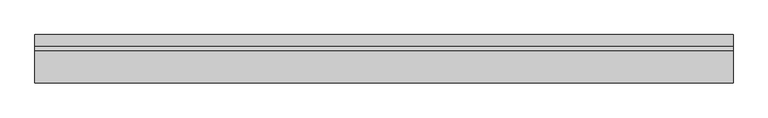
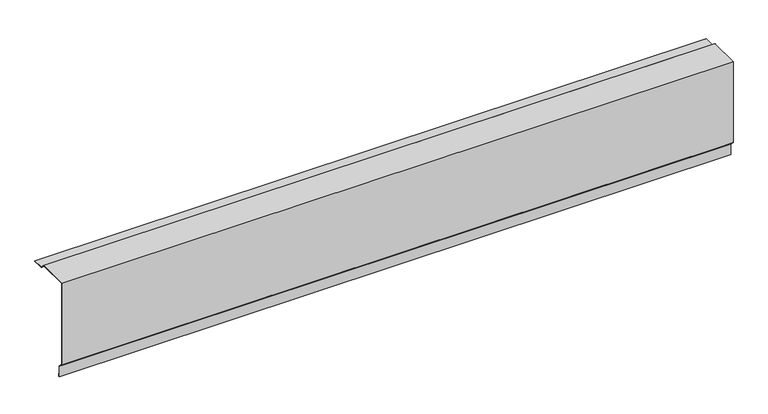
"""IFC4 building model written with IfcOpenShell, lengths in millimetres: proxy geometry."""

from ifc_helpers import new_model, si_unit, frame, origin, place, context, project, spatial, polyline, outline, extrude, source, transform, mapped, element, save


def generic_models_ed81252e(model_context):
    return source(origin(), model_context, "Body", "SweptSolid", [
        extrude(outline(polyline([(-20.0, 20.0), (95.0, 20.0), (110.0, 5.0), (150.0, 5.0), (150.0, 2.0), (140.0, 2.0), (140.0, 3.0), (149.0, 3.0), (149.0, 4.0), (109.5857864, 4.0), (94.5857864, 19.0), (-19.0, 19.0), (-19.0, -294.5857864), (-4.0, -309.5857864), (-4.0, -349.0), (-3.0, -349.0), (-3.0, -340.0), (-2.0, -340.0), (-2.0, -350.0), (-5.0, -350.0), (-5.0, -310.0), (-20.0, -295.0), (-20.0, 20.0)])), frame((0.0, 0.0, 0.0), z_axis=(1.0, 0.0, 0.0), x_axis=(0.0, 1.0, 0.0)), (0.0, 0.0, 1.0), 2460.0),
    ])


if __name__ == "__main__":
    model = new_model("IFC4")
    model_context = context("Model", 3, world=origin())
    ifc_project = project(units=[si_unit("LENGTHUNIT", "METRE", prefix="MILLI")], contexts=[model_context])
    site = spatial("IfcSite", under=ifc_project)
    building = spatial("IfcBuilding", under=site)
    placement = place(None, origin())
    generic_models_shape = generic_models_ed81252e(model_context)
    element("IfcBuildingElementProxy", 1, Name="Generic Models", at=placement, inside=building, context=model_context, shape_type="MappedRepresentation", body=[
        mapped(generic_models_shape, transform((0.0, 0.0, 0.0), x_axis=(1.0, 0.0, 0.0), y_axis=(0.0, 1.0, 0.0), z_axis=(0.0, 0.0, 1.0))),
    ])
    save(model, "model.ifc")
